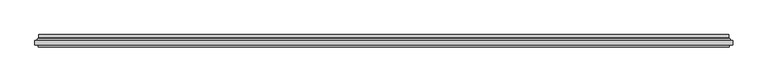
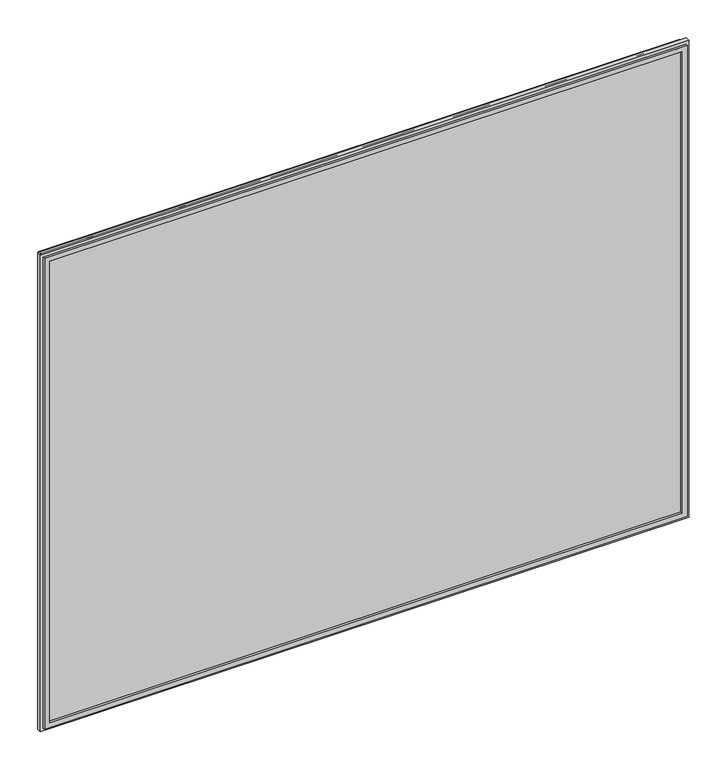
"""IFC4 building model written with IfcOpenShell, lengths in millimetres: plate geometry."""

from ifc_helpers import new_model, si_unit, frame, origin, place, context, project, spatial, polyline, ellipse_curve, outline, extrude, source, transform, mapped, element, save
from ifc_brep_helpers import plane_surface, cylinder_surface, revolved_surface, advanced_brep


def plate_b0af57a6(model_context):
    return source(origin(), model_context, "Body", "SolidModel", [
        advanced_brep(
        [(-600.0000001, 4.8968153, 19.5), (600.0000001, 4.8968153, 19.5), (600.0000001, 11.0, 19.5), (-600.0000001, 11.0, 19.5), (600.0000001, 4.8968153, 944.5000002), (600.0000001, 11.0, 944.5000002), (-600.0000001, 4.8968153, 944.5000002), (-600.0000001, 11.0, 944.5000002), (-610.1737948, 1.0, 9.3262053), (610.1737948, 1.0, 9.3262053), (610.1737948, 1.0, 954.6737949), (-610.1737948, 1.0, 954.6737949), (599.7225564, 1.0, 19.7774437), (-599.7225564, 1.0, 19.7774437), (-599.7225564, 1.0, 944.2225565), (599.7225564, 1.0, 944.2225565), (609.0000001, 11.0, 10.5), (-609.0000001, 11.0, 10.5), (-609.0000001, 11.0, 953.5000002), (609.0000001, 11.0, 953.5000002), (609.0000001, 5.9174454, 10.5), (-609.0000001, 5.9174454, 10.5), (609.0000001, 5.9174454, 953.5000002), (-609.0000001, 5.9174454, 953.5000002), (-599.0765978, 3.2113072, 20.4234023), (599.0765978, 3.2113072, 20.4234023), (-610.5737753, 3.96339, 8.9262248), (610.5737753, 3.96339, 8.9262248), (599.0765978, 3.2113072, 943.5765979), (610.5737753, 3.96339, 955.0737754), (-599.0765978, 3.2113072, 943.5765979), (-610.5737753, 3.96339, 955.0737754)],
        [
            (0, 1),
            (1, 2),
            (2, 3),
            (3, 0),
            (1, 4),
            (4, 5),
            (5, 2),
            (4, 6),
            (6, 7),
            (7, 5),
            (8, 9),
            (9, 10),
            (10, 11),
            (11, 8),
            (12, 13),
            (13, 14),
            (14, 15),
            (15, 12),
            (16, 17),
            (17, 18),
            (18, 19),
            (19, 16),
            (7, 3),
            (6, 0),
            (16, 20),
            (20, 21),
            (21, 17),
            (19, 22),
            (22, 20),
            (18, 23),
            (23, 22),
            (21, 23),
            (24, 25),
            (25, 1, ellipse_curve(frame((598.0000001, 4.8968153, 21.5), z_axis=(0.7071067811865475, 0.0, 0.7071067811865475), x_axis=(0.7071067811865476, 0.0, -0.7071067811865474)), 2.8284271, 2.0)),
            (0, 24, ellipse_curve(frame((-598.0000001, 4.8968153, 21.5), z_axis=(-0.7071067811865475, 0.0, 0.7071067811865475), x_axis=(0.7071067811865476, 0.0, 0.7071067811865474)), 2.8284271, 2.0)),
            (12, 25, ellipse_curve(frame((599.7225564, 2.2000024, 19.7774437), z_axis=(-0.7071067811865475, 0.0, -0.7071067811865475), x_axis=(-0.7071067811865476, 0.0, 0.7071067811865474)), 1.6970563, 1.2)),
            (24, 13, ellipse_curve(frame((-599.7225564, 2.2000024, 19.7774437), z_axis=(0.7071067811865475, 0.0, -0.7071067811865475), x_axis=(-0.7071067811865476, 0.0, -0.7071067811865474)), 1.6970563, 1.2)),
            (26, 27),
            (27, 9, ellipse_curve(frame((610.2541068, 2.4978485, 9.2458934), z_axis=(-0.7071067811865475, 0.0, -0.7071067811865475), x_axis=(-0.7071067811865476, 0.0, 0.7071067811865474)), 2.1213203, 1.5)),
            (8, 26, ellipse_curve(frame((-610.2541068, 2.4978485, 9.2458934), z_axis=(0.7071067811865475, 0.0, -0.7071067811865475), x_axis=(-0.7071067811865476, 0.0, -0.7071067811865474)), 2.1213203, 1.5)),
            (20, 27, ellipse_curve(frame((611.0000001, 5.9174454, 8.5), z_axis=(0.7071067811865475, 0.0, 0.7071067811865475), x_axis=(0.7071067811865476, 0.0, -0.7071067811865474)), 2.8284271, 2.0)),
            (26, 21, ellipse_curve(frame((-611.0000001, 5.9174454, 8.5), z_axis=(-0.7071067811865475, 0.0, 0.7071067811865475), x_axis=(0.7071067811865476, 0.0, 0.7071067811865474)), 2.8284271, 2.0)),
            (25, 28),
            (28, 4, ellipse_curve(frame((598.0000001, 4.8968153, 942.5000002), z_axis=(-0.7071067811865475, 0.0, 0.7071067811865475), x_axis=(0.7071067811865474, 0.0, 0.7071067811865476)), 2.8284271, 2.0)),
            (15, 28, ellipse_curve(frame((599.7225564, 2.2000024, 944.2225565), z_axis=(0.7071067811865475, 0.0, -0.7071067811865475), x_axis=(-0.7071067811865474, 0.0, -0.7071067811865476)), 1.6970563, 1.2)),
            (27, 29),
            (29, 10, ellipse_curve(frame((610.2541068, 2.4978485, 954.7541069), z_axis=(0.7071067811865475, 0.0, -0.7071067811865475), x_axis=(-0.7071067811865474, 0.0, -0.7071067811865476)), 2.1213203, 1.5)),
            (22, 29, ellipse_curve(frame((611.0000001, 5.9174454, 955.5000002), z_axis=(-0.7071067811865475, 0.0, 0.7071067811865475), x_axis=(0.7071067811865474, 0.0, 0.7071067811865476)), 2.8284271, 2.0)),
            (28, 30),
            (30, 6, ellipse_curve(frame((-598.0000001, 4.8968153, 942.5000002), z_axis=(-0.7071067811865475, 0.0, -0.7071067811865475), x_axis=(-0.7071067811865476, 0.0, 0.7071067811865474)), 2.8284271, 2.0)),
            (14, 30, ellipse_curve(frame((-599.7225564, 2.2000024, 944.2225565), z_axis=(0.7071067811865475, 0.0, 0.7071067811865475), x_axis=(0.7071067811865476, 0.0, -0.7071067811865474)), 1.6970563, 1.2)),
            (29, 31),
            (31, 11, ellipse_curve(frame((-610.2541068, 2.4978485, 954.7541069), z_axis=(0.7071067811865475, 0.0, 0.7071067811865475), x_axis=(0.7071067811865476, 0.0, -0.7071067811865474)), 2.1213203, 1.5)),
            (23, 31, ellipse_curve(frame((-611.0000001, 5.9174454, 955.5000002), z_axis=(-0.7071067811865475, 0.0, -0.7071067811865475), x_axis=(-0.7071067811865476, 0.0, 0.7071067811865474)), 2.8284271, 2.0)),
            (30, 24),
            (31, 26),
        ],
        [
            plane_surface(frame((-600.0000001, 11.0, 19.5), z_axis=(0.0, 0.0, 1.0), x_axis=(1.0, 0.0, 0.0))),
            plane_surface(frame((600.0000001, 11.0, 19.5), z_axis=(-1.0, 0.0, 0.0), x_axis=(0.0, 0.0, 1.0))),
            plane_surface(frame((600.0000001, 11.0, 944.5000002), z_axis=(0.0, 0.0, -1.0), x_axis=(-1.0, 0.0, 0.0))),
            plane_surface(frame((-599.7225564, 1.0, 944.2225565), z_axis=(0.0, -1.0, 0.0), x_axis=(0.0, 0.0, -1.0))),
            plane_surface(frame((-609.0000001, 11.0, 953.5000002), z_axis=(0.0, 1.0, 0.0), x_axis=(0.0, 0.0, -1.0))),
            plane_surface(frame((-600.0000001, 11.0, 944.5000002), z_axis=(1.0, 0.0, 0.0), x_axis=(0.0, 0.0, -1.0))),
            plane_surface(frame((-609.0000001, 5.9174454, 10.5), z_axis=(0.0, 0.0, -1.0), x_axis=(1.0, 0.0, 0.0))),
            plane_surface(frame((609.0000001, 5.9174454, 10.5), z_axis=(1.0, 0.0, 0.0), x_axis=(0.0, 0.0, 1.0))),
            plane_surface(frame((609.0000001, 5.9174454, 953.5000002), z_axis=(0.0, 0.0, 1.0), x_axis=(-1.0, 0.0, 0.0))),
            plane_surface(frame((-609.0000001, 5.9174454, 953.5000002), z_axis=(-1.0, 0.0, 0.0), x_axis=(0.0, 0.0, -1.0))),
            revolved_surface(polyline([(600.0000001, 2.8968153, 21.5), (-600.0000001, 2.8968153, 21.5)]), (-619.5000001, 4.8968153, 21.5), (1.0, 0.0, 0.0)),
            cylinder_surface(frame((-619.5000001, 2.2000024, 19.7774437), z_axis=(-1.0, 0.0, 0.0), x_axis=(0.0, -1.0, 0.0)), 1.2),
            cylinder_surface(frame((-619.5000001, 2.4978485, 9.2458934), z_axis=(-1.0, 0.0, 0.0), x_axis=(0.0, -1.0, 0.0)), 1.5),
            revolved_surface(polyline([(613.0000000825017, 3.9174454, 8.5), (-613.0000000825017, 3.9174454, 8.5)]), (-619.5000001, 5.9174454, 8.5), (1.0, 0.0, 0.0)),
            revolved_surface(polyline([(598.0000001, 2.8968153, 944.5000002), (598.0000001, 2.8968153, 19.5)]), (598.0000001, 4.8968153, 0.0), (0.0, 0.0, 1.0)),
            cylinder_surface(frame((599.7225564, 2.2000024, 0.0), z_axis=(0.0, 0.0, -1.0), x_axis=(0.0, -1.0, 0.0)), 1.2),
            cylinder_surface(frame((610.2541068, 2.4978485, 0.0), z_axis=(0.0, 0.0, -1.0), x_axis=(0.0, -1.0, 0.0)), 1.5),
            revolved_surface(polyline([(611.0000001, 3.9174454, 957.5000001825018), (611.0000001, 3.9174454, 6.500000017498199)]), (611.0000001, 5.9174454, 0.0), (0.0, 0.0, 1.0)),
            revolved_surface(polyline([(-600.0000001, 2.8968153, 942.5000002), (600.0000001, 2.8968153, 942.5000002)]), (619.5000001, 4.8968153, 942.5000002), (-1.0, 0.0, 0.0)),
            cylinder_surface(frame((619.5000001, 2.2000024, 944.2225565), z_axis=(1.0, 0.0, 0.0), x_axis=(0.0, -1.0, 0.0)), 1.2),
            cylinder_surface(frame((619.5000001, 2.4978485, 954.7541069), z_axis=(1.0, 0.0, 0.0), x_axis=(0.0, -1.0, 0.0)), 1.5),
            revolved_surface(polyline([(-613.0000000825017, 3.9174454, 955.5000002), (613.0000000825017, 3.9174454, 955.5000002)]), (619.5000001, 5.9174454, 955.5000002), (-1.0, 0.0, 0.0)),
            revolved_surface(polyline([(-598.0000001, 2.8968153, 19.5), (-598.0000001, 2.8968153, 944.5000002)]), (-598.0000001, 4.8968153, 964.0000002), (0.0, 0.0, -1.0)),
            cylinder_surface(frame((-599.7225564, 2.2000024, 964.0000002), z_axis=(0.0, 0.0, 1.0), x_axis=(0.0, -1.0, 0.0)), 1.2),
            cylinder_surface(frame((-610.2541068, 2.4978485, 964.0000002), z_axis=(0.0, 0.0, 1.0), x_axis=(0.0, -1.0, 0.0)), 1.5),
            revolved_surface(polyline([(-611.0000001, 3.9174454, 6.500000017498223), (-611.0000001, 3.9174454, 957.5000001825018)]), (-611.0000001, 5.9174454, 964.0000002), (0.0, 0.0, -1.0)),
        ],
        [
            (0, [[1, 2, 3, 4]]),
            (1, [[5, 6, 7, -2]]),
            (2, [[8, 9, 10, -6]]),
            (3, [[11, 12, 13, 14], [15, 16, 17, 18]]),
            (4, [[19, 20, 21, 22], [-3, -7, -10, 23]]),
            (5, [[24, -4, -23, -9]]),
            (6, [[-19, 25, 26, 27]]),
            (7, [[-22, 28, 29, -25]]),
            (8, [[-21, 30, 31, -28]]),
            (9, [[-20, -27, 32, -30]]),
            (10, [[33, 34, -1, 35]]),
            (11, [[-15, 36, -33, 37]]),
            (12, [[38, 39, -11, 40]]),
            (13, [[-26, 41, -38, 42]]),
            (14, [[43, 44, -5, -34]]),
            (15, [[-18, 45, -43, -36]]),
            (16, [[46, 47, -12, -39]]),
            (17, [[-29, 48, -46, -41]]),
            (18, [[49, 50, -8, -44]]),
            (19, [[-17, 51, -49, -45]]),
            (20, [[52, 53, -13, -47]]),
            (21, [[-31, 54, -52, -48]]),
            (22, [[55, -35, -24, -50]]),
            (23, [[-16, -37, -55, -51]]),
            (24, [[56, -40, -14, -53]]),
            (25, [[-32, -42, -56, -54]]),
        ],
    ),
        extrude(outline(polyline([(9.5, -610.0000001), (9.5, 610.0000001), (954.5000002, 610.0000001), (954.5000002, -610.0000001), (9.5, -610.0000001)]), holes=[polyline([(19.5, 600.0000001), (19.5, -600.0000001), (944.5000002, -600.0000001), (944.5000002, 600.0000001), (19.5, 600.0000001)])]), frame((0.0, -11.0, 0.0), z_axis=(0.0, 1.0, 0.0), x_axis=(0.0, 0.0, 1.0)), (0.0, 0.0, 1.0), 4.0),
        extrude(outline(polyline([(-615.5000001, -7.0), (-615.5000001, 1.0), (615.5000001, 1.0), (615.5000001, -7.0), (-615.5000001, -7.0)])), frame((0.0, 0.0, 4.0), z_axis=(0.0, 0.0, 1.0), x_axis=(1.0, 0.0, 0.0)), (0.0, 0.0, 1.0), 956.0000002),
    ])


if __name__ == "__main__":
    model = new_model("IFC4")
    model_context = context("Model", 3, world=origin())
    ifc_project = project(units=[si_unit("LENGTHUNIT", "METRE", prefix="MILLI")], contexts=[model_context])
    site = spatial("IfcSite", under=ifc_project)
    building = spatial("IfcBuilding", under=site)
    placement = place(None, origin())
    plate_shape = plate_b0af57a6(model_context)
    element("IfcPlate", 1, at=placement, inside=building, context=model_context, shape_type="MappedRepresentation", body=[
        mapped(plate_shape, transform((0.0, 0.0, 0.0), x_axis=(1.0, 0.0, 0.0), y_axis=(0.0, 1.0, 0.0), z_axis=(0.0, 0.0, 1.0))),
    ])
    save(model, "model.ifc")
